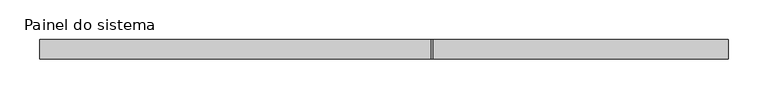
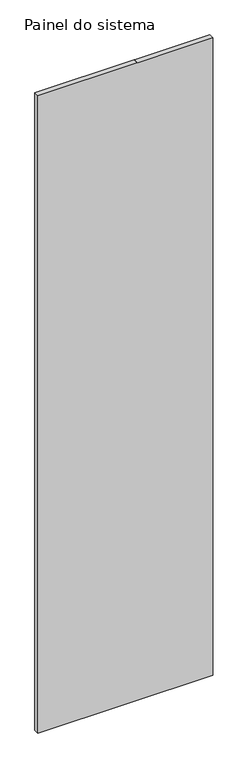
"""IFC4 building model written with IfcOpenShell, lengths in millimetres: plate geometry, Painel do sistema."""

from ifc_helpers import new_model, si_unit, frame, origin, place, context, project, spatial, polyline, outline, extrude, source, transform, mapped, element, save


def painel_do_sistema_691caac5(model_context):
    return source(origin(), model_context, "Body", "SweptSolid", [
        extrude(outline(polyline([(0.0, -435.0169598), (0.0, 435.0169598), (3350.0, 435.0169598), (3350.0, 62.4074952), (3350.0, 59.5761677), (3350.0, -435.0169598), (0.0, -435.0169598)])), frame((0.0, 24.5, 0.0), z_axis=(0.0, 1.0, 0.0), x_axis=(0.0, 0.0, 1.0)), (0.0, 0.0, 1.0), 25.0),
    ])


if __name__ == "__main__":
    model = new_model("IFC4")
    model_context = context("Model", 3, world=origin())
    ifc_project = project(units=[si_unit("LENGTHUNIT", "METRE", prefix="MILLI")], contexts=[model_context])
    site = spatial("IfcSite", under=ifc_project)
    building = spatial("IfcBuilding", under=site)
    placement = place(None, origin())
    painel_do_sistema_shape = painel_do_sistema_691caac5(model_context)
    element("IfcPlate", 1, ObjectType="Painel do sistema", at=placement, inside=building, context=model_context, shape_type="MappedRepresentation", body=[
        mapped(painel_do_sistema_shape, transform((0.0, 0.0, 0.0), x_axis=(1.0, 0.0, 0.0), y_axis=(0.0, 1.0, 0.0), z_axis=(0.0, 0.0, 1.0))),
    ])
    save(model, "model.ifc")
